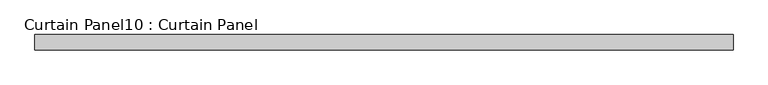
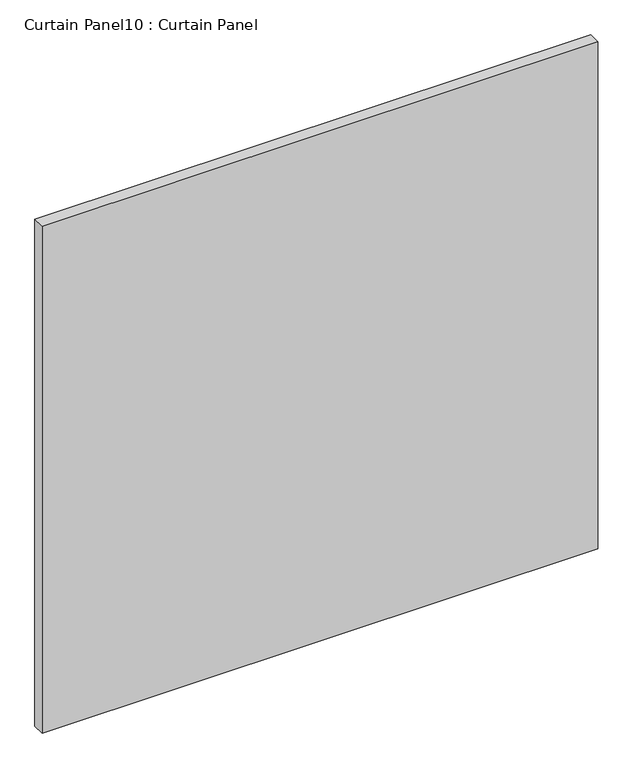
"""IFC4 building model written with IfcOpenShell, lengths in millimetres: plate geometry, Curtain Panel10 : Curtain Panel."""

from ifc_helpers import new_model, si_unit, frame, origin, place, context, project, spatial, polyline, outline, extrude, source, transform, mapped, element, save


def curtain_panel10_curtain_panel_1a228b22(model_context):
    return source(origin(), model_context, "Body", "SweptSolid", [
        extrude(outline(polyline([(-287307.7274652, 3163.0425864), (-288457.0774652, 3163.0425864), (-288457.0774652, 3188.4425864), (-287307.7274652, 3188.4425864), (-287307.7274652, 3163.0425864)])), frame((0.0, 0.0, -1201.7375), z_axis=(0.0, 0.0, 1.0), x_axis=(1.0, 0.0, 0.0)), (0.0, 0.0, 1.0), 1108.0750003),
    ])


if __name__ == "__main__":
    model = new_model("IFC4")
    model_context = context("Model", 3, world=origin())
    ifc_project = project(units=[si_unit("LENGTHUNIT", "METRE", prefix="MILLI")], contexts=[model_context])
    site = spatial("IfcSite", under=ifc_project)
    building = spatial("IfcBuilding", under=site)
    placement = place(None, origin())
    curtain_panel10_curtain_panel_shape = curtain_panel10_curtain_panel_1a228b22(model_context)
    element("IfcPlate", 1, ObjectType="Curtain Panel10 : Curtain Panel", at=placement, inside=building, context=model_context, shape_type="MappedRepresentation", body=[
        mapped(curtain_panel10_curtain_panel_shape, transform((0.0, 0.0, 0.0), x_axis=(1.0, 0.0, 0.0), y_axis=(0.0, 1.0, 0.0), z_axis=(0.0, 0.0, 1.0))),
    ])
    save(model, "model.ifc")
